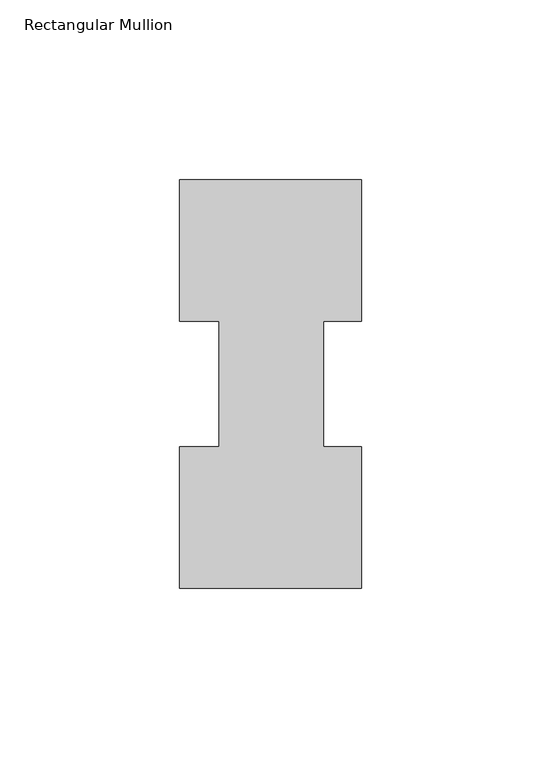
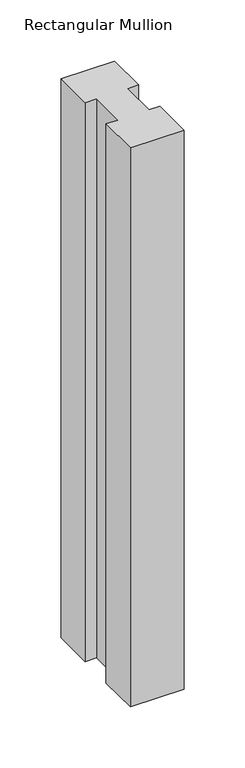
"""IFC4 building model written with IfcOpenShell, lengths in millimetres: member geometry, Rectangular Mullion."""

from ifc_helpers import new_model, si_unit, frame, origin, place, context, project, spatial, polyline, outline, extrude, source, transform, mapped, element, save


def rectangular_mullion_960a53f4(model_context):
    return source(origin(), model_context, "Body", "SweptSolid", [
        extrude(outline(polyline([(0.0, 113.8189875), (0.0, 74.3981875), (-10.5663987, 74.3981875), (-10.5663987, 39.4223875), (0.0, 39.4223875), (0.0, 0.0269875), (-50.8, 0.0269875), (-50.8, 39.4223875), (-39.6875, 39.4223875), (-39.6875, 74.3981875), (-50.8, 74.3981875), (-50.8, 113.8189875), (0.0, 113.8189875)])), frame((0.0, 0.0, -558.8), z_axis=(0.0, 0.0, 1.0), x_axis=(1.0, 0.0, 0.0)), (0.0, 0.0, 1.0), 558.8),
    ])


if __name__ == "__main__":
    model = new_model("IFC4")
    model_context = context("Model", 3, world=origin())
    ifc_project = project(units=[si_unit("LENGTHUNIT", "METRE", prefix="MILLI")], contexts=[model_context])
    site = spatial("IfcSite", under=ifc_project)
    building = spatial("IfcBuilding", under=site)
    placement = place(None, origin())
    rectangular_mullion_shape = rectangular_mullion_960a53f4(model_context)
    element("IfcMember", 1, ObjectType="Rectangular Mullion", at=placement, inside=building, context=model_context, shape_type="MappedRepresentation", body=[
        mapped(rectangular_mullion_shape, transform((0.0, 0.0, 0.0), x_axis=(1.0, 0.0, 0.0), y_axis=(0.0, 1.0, 0.0), z_axis=(0.0, 0.0, 1.0))),
    ])
    save(model, "model.ifc")
